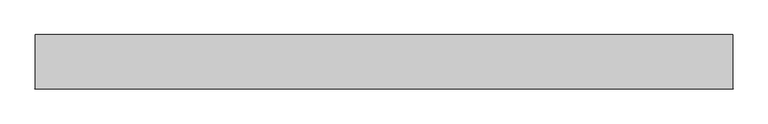
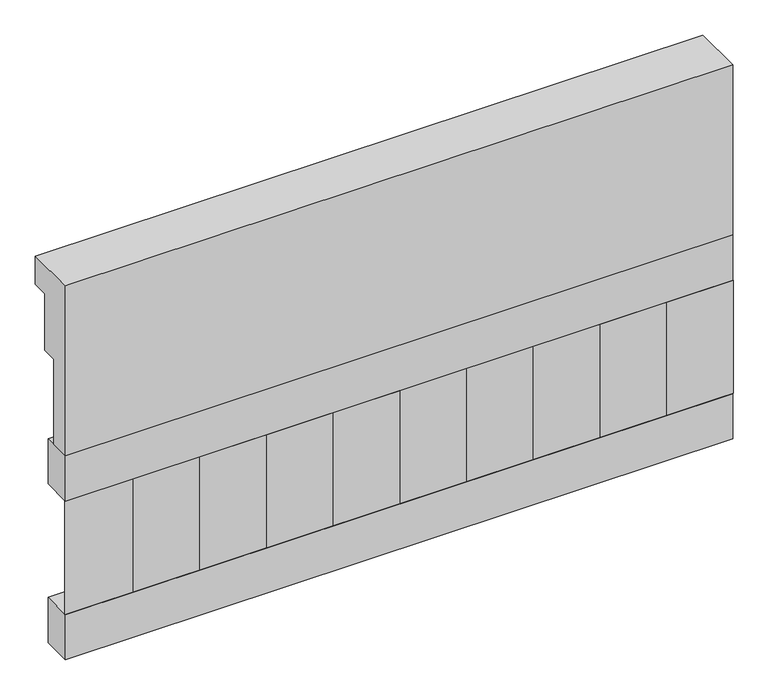
"""IFC4 building model written with IfcOpenShell, lengths in millimetres: railing geometry."""

from ifc_helpers import new_model, si_unit, frame, origin, place, context, project, spatial, polyline, outline, extrude, source, transform, mapped, element, save


def railing_d8f1d6f0(model_context):
    return source(origin(), model_context, "Body", "SweptSolid", [
        extrude(outline(polyline([(903.1079487, 18500.0), (1033.1079487, 18500.0), (1033.1079487, 18425.0), (993.1079487, 18425.0), (993.1079487, 18275.0), (953.1079487, 18275.0), (953.1079487, 18050.0), (903.1079487, 18050.0), (903.1079487, 18500.0)])), frame((29560.0112841, 0.0, 0.0), z_axis=(1.0, 0.0, 0.0), x_axis=(0.0, 1.0, 0.0)), (0.0, 0.0, 1.0), 1670.0),
        extrude(outline(polyline([(31230.0112841, 978.1079487), (31230.0112841, 903.1079487), (29560.0112841, 903.1079487), (29560.0112841, 978.1079487), (31230.0112841, 978.1079487)])), frame((0.0, 0.0, 17930.0), z_axis=(0.0, 0.0, 1.0), x_axis=(1.0, 0.0, 0.0)), (0.0, 0.0, 1.0), 120.0),
        extrude(outline(polyline([(31230.0112841, 978.1079487), (31230.0112841, 903.1079487), (29560.0112841, 903.1079487), (29560.0112841, 978.1079487), (31230.0112841, 978.1079487)])), frame((0.0, 0.0, 17510.0), z_axis=(0.0, 0.0, 1.0), x_axis=(1.0, 0.0, 0.0)), (0.0, 0.0, 1.0), 120.0),
        extrude(outline(polyline([(29643.5112841, 987.9607624), (29728.3640978, 903.1079487), (29558.6584704, 903.1079487), (29643.5112841, 987.9607624)])), frame((0.0, 0.0, 17630.0), z_axis=(0.0, 0.0, 1.0), x_axis=(1.0, 0.0, 0.0)), (0.0, 0.0, 1.0), 300.0),
        extrude(outline(polyline([(29810.5112841, 987.9607624), (29895.3640978, 903.1079487), (29725.6584704, 903.1079487), (29810.5112841, 987.9607624)])), frame((0.0, 0.0, 17630.0), z_axis=(0.0, 0.0, 1.0), x_axis=(1.0, 0.0, 0.0)), (0.0, 0.0, 1.0), 300.0),
        extrude(outline(polyline([(29977.5112841, 987.9607624), (30062.3640978, 903.1079487), (29892.6584704, 903.1079487), (29977.5112841, 987.9607624)])), frame((0.0, 0.0, 17630.0), z_axis=(0.0, 0.0, 1.0), x_axis=(1.0, 0.0, 0.0)), (0.0, 0.0, 1.0), 300.0),
        extrude(outline(polyline([(30144.5112841, 987.9607624), (30229.3640978, 903.1079487), (30059.6584704, 903.1079487), (30144.5112841, 987.9607624)])), frame((0.0, 0.0, 17630.0), z_axis=(0.0, 0.0, 1.0), x_axis=(1.0, 0.0, 0.0)), (0.0, 0.0, 1.0), 300.0),
        extrude(outline(polyline([(30311.5112841, 987.9607624), (30396.3640978, 903.1079487), (30226.6584704, 903.1079487), (30311.5112841, 987.9607624)])), frame((0.0, 0.0, 17630.0), z_axis=(0.0, 0.0, 1.0), x_axis=(1.0, 0.0, 0.0)), (0.0, 0.0, 1.0), 300.0),
        extrude(outline(polyline([(30478.5112841, 987.9607624), (30563.3640978, 903.1079487), (30393.6584704, 903.1079487), (30478.5112841, 987.9607624)])), frame((0.0, 0.0, 17630.0), z_axis=(0.0, 0.0, 1.0), x_axis=(1.0, 0.0, 0.0)), (0.0, 0.0, 1.0), 300.0),
        extrude(outline(polyline([(30645.5112841, 987.9607624), (30730.3640978, 903.1079487), (30560.6584704, 903.1079487), (30645.5112841, 987.9607624)])), frame((0.0, 0.0, 17630.0), z_axis=(0.0, 0.0, 1.0), x_axis=(1.0, 0.0, 0.0)), (0.0, 0.0, 1.0), 300.0),
        extrude(outline(polyline([(30812.5112841, 987.9607624), (30897.3640978, 903.1079487), (30727.6584704, 903.1079487), (30812.5112841, 987.9607624)])), frame((0.0, 0.0, 17630.0), z_axis=(0.0, 0.0, 1.0), x_axis=(1.0, 0.0, 0.0)), (0.0, 0.0, 1.0), 300.0),
        extrude(outline(polyline([(30979.5112841, 987.9607624), (31064.3640978, 903.1079487), (30894.6584704, 903.1079487), (30979.5112841, 987.9607624)])), frame((0.0, 0.0, 17630.0), z_axis=(0.0, 0.0, 1.0), x_axis=(1.0, 0.0, 0.0)), (0.0, 0.0, 1.0), 300.0),
        extrude(outline(polyline([(31146.5112841, 987.9607624), (31231.3640978, 903.1079487), (31061.6584704, 903.1079487), (31146.5112841, 987.9607624)])), frame((0.0, 0.0, 17630.0), z_axis=(0.0, 0.0, 1.0), x_axis=(1.0, 0.0, 0.0)), (0.0, 0.0, 1.0), 300.0),
    ])


if __name__ == "__main__":
    model = new_model("IFC4")
    model_context = context("Model", 3, world=origin())
    ifc_project = project(units=[si_unit("LENGTHUNIT", "METRE", prefix="MILLI")], contexts=[model_context])
    site = spatial("IfcSite", under=ifc_project)
    building = spatial("IfcBuilding", under=site)
    placement = place(None, origin())
    railing_shape = railing_d8f1d6f0(model_context)
    element("IfcRailing", 1, at=placement, inside=building, context=model_context, shape_type="MappedRepresentation", body=[
        mapped(railing_shape, transform((0.0, 0.0, 0.0), x_axis=(1.0, 0.0, 0.0), y_axis=(0.0, 1.0, 0.0), z_axis=(0.0, 0.0, 1.0))),
    ])
    save(model, "model.ifc")
